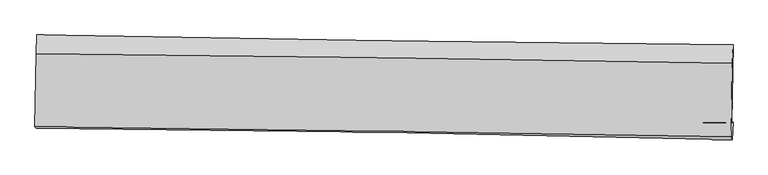
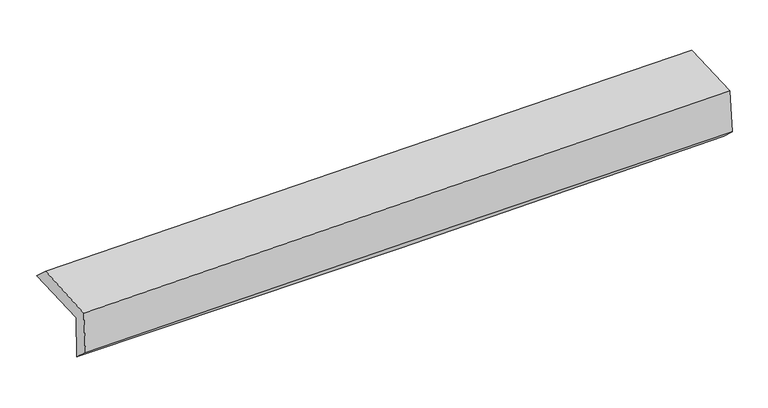
"""IFC4 building model written with IfcOpenShell, lengths in millimetres: proxy geometry."""

from ifc_helpers import new_model, si_unit, frame, origin, place, context, project, spatial, source, transform, mapped, element, save
from ifc_brep_helpers import plane_surface, spline_curve, spline_surface, advanced_brep


def generic_models_cacb3a09(model_context):
    return source(origin(), model_context, "Body", "AdvancedBrep", [
        advanced_brep(
        [(-3025.3269287, -1756.6690727, 1957.3070915), (-3014.6490768, -1092.8050367, 1967.1336995), (3013.2852897, -1178.2720333, 2102.4277445), (3002.1616931, -1851.9381184, 2103.4534088), (-3014.6531425, -1743.3824338, 1558.2000805), (3012.7720398, -1846.8300755, 1701.6253659), (-3020.7965092, -1899.2942536, 1694.6786058), (3006.6017404, -1999.1590624, 1841.3849393), (-3030.8194059, -1887.9690242, 2084.4146853), (2996.4899307, -1975.7253458, 2242.129109), (-3021.1365762, -1254.5611774, 2113.0742083), (3006.6512185, -1339.7540139, 2254.1358879)],
        [
            (0, 1),
            (1, 2, spline_curve(3, [(-3014.6490768, -1092.8050367, 1967.1336995), (-2009.799248293, -1110.815509699, 1979.546962924), (-1005.041785279, -1126.943045069, 1997.028250808), (1004.269666695, -1155.431973379, 2042.126455104), (2008.82365916, -1167.793437171, 2069.743181994), (3013.2852897, -1178.2720333, 2102.4277445)], [4, 2, 4], [0.0, 9.8920549383217, 19.783925327009502])),
            (2, 3),
            (3, 0, spline_curve(3, [(3002.1616931, -1851.9381184, 2103.4534088), (1997.923220518, -1836.540719817, 2065.342990521), (993.517952522, -1820.903009714, 2034.108971035), (-1015.644914919, -1789.146669855, 1985.393275333), (-2020.402521353, -1773.028031516, 1967.911855807), (-3025.3269287, -1756.6690727, 1957.3070915)], [4, 2, 4], [0.0, 9.891870388687803, 19.783925327009502])),
            (4, 0),
            (3, 5),
            (5, 4, spline_curve(3, [(3012.7720398, -1846.8300755, 1701.6253659), (2008.427835124, -1832.405473907, 1666.939463326), (1003.974987306, -1816.572629962, 1637.644466264), (-1005.166735906, -1782.090134976, 1589.835836565), (-2009.855615624, -1763.440431838, 1571.322405335), (-3014.6531425, -1743.3824338, 1558.2000805)], [4, 2, 4], [0.0, 9.891850181326788, 19.78388491191047])),
            (6, 4),
            (5, 7),
            (7, 6, spline_curve(3, [(3006.6017404, -1999.1590624, 1841.3849393), (2002.29586656, -1972.184717648, 1813.127186769), (997.864428468, -1950.375507559, 1786.772878917), (-1011.268316384, -1917.087045118, 1737.870696711), (-2015.969628556, -1905.607985998, 1715.322893229), (-3020.7965092, -1899.2942536, 1694.6786058)], [4, 2, 4], [0.0, 9.891760457177787, 19.78370546193851])),
            (8, 6),
            (7, 9),
            (9, 8, spline_curve(3, [(2996.4899307, -1975.7253458, 2242.129109), (1991.997449954, -1958.319141419, 2214.978369008), (987.480117083, -1942.303067834, 2188.260249169), (-1021.622994323, -1913.050908894, 2135.68875843), (-2026.208773654, -1899.814875121, 2109.835403747), (-3030.8194059, -1887.9690242, 2084.4146853)], [4, 2, 4], [0.0, 9.89171844633548, 19.783621439470114])),
            (10, 8),
            (9, 11),
            (11, 10, spline_curve(3, [(3006.6512185, -1339.7540139, 2254.1358879), (2002.146004108, -1320.407770294, 2228.69114957), (997.582433732, -1303.635287527, 2204.213740857), (-1011.68016226, -1275.237579572, 2157.193145122), (-2016.379190114, -1263.612450091, 2134.64999367), (-3021.1365762, -1254.5611774, 2113.0742083)], [4, 2, 4], [0.0, 9.891697656780481, 19.783579859972253])),
            (1, 10),
            (11, 2),
        ],
        [
            spline_surface(3, 3, [[(-3025.3269287, -1756.6690727, 1957.3070915), (-2020.402521223, -1773.028031545, 1967.91185568), (-1015.644915044, -1789.146669975, 1985.393275337), (993.517952646, -1820.903009593, 2034.108971031), (1997.923220439, -1836.540719694, 2065.342990455), (3002.1616931, -1851.9381184, 2103.4534088)], [(-3021.767644741, -1535.381060696, 1960.582627497), (-2016.868096954, -1552.29052428, 1971.790224774), (-1012.110538474, -1568.412128289, 1989.271600533), (997.101857336, -1599.07933091, 2036.781465695), (2001.556700024, -1613.624958863, 2066.809720978), (3005.869558644, -1627.382756694, 2103.111520684)], [(-3018.208360759, -1314.093048704, 1963.858163503), (-2013.333672664, -1331.553017026, 1975.668593876), (-1008.576161887, -1347.677586597, 1993.149925711), (1000.685762044, -1377.25565222, 2039.45396034), (2005.190179577, -1390.709198051, 2068.276451549), (3009.577424156, -1402.827395006, 2102.769632616)], [(-3014.6490768, -1092.8050367, 1967.1336995), (-2009.799248395, -1110.81550976, 1979.54696297), (-1005.041785317, -1126.943044911, 1997.028250908), (1004.269666734, -1155.431973537, 2042.126455004), (2008.823659161, -1167.79343722, 2069.743182073), (3013.2852897, -1178.2720333, 2102.4277445)]], [4, 4], [4, 2, 4], [0.0, 2.1784641610664357], [0.0, 9.8920549383217, 19.783925327009502]),
            spline_surface(3, 3, [[(-3014.6531425, -1743.3824338, 1558.2000805), (-2009.855615662, -1763.440431994, 1571.322405288), (-1005.166735987, -1782.090135126, 1589.835836592), (1003.974987387, -1816.572629812, 1637.644466236), (2008.427835155, -1832.405473914, 1666.939463354), (3012.7720398, -1846.8300755, 1701.6253659)], [(-3018.211071211, -1747.811313443, 1691.235750849), (-2013.371250827, -1766.636298521, 1703.518888768), (-1008.659462336, -1784.442313387, 1721.688316181), (1000.489309144, -1818.016089717, 1769.799301175), (2004.926296924, -1833.783889203, 1799.740639057), (3009.235257574, -1848.532756495, 1835.56804687)], [(-3021.768999989, -1752.240193057, 1824.271421151), (-2016.886886059, -1769.832165018, 1835.7153722), (-1012.152188695, -1786.794491715, 1853.540795748), (997.00363089, -1819.459549688, 1901.954136092), (2001.424758671, -1835.162304405, 1932.541814751), (3005.698475326, -1850.235437405, 1969.51072783)], [(-3025.3269287, -1756.6690727, 1957.3070915), (-2020.402521223, -1773.028031545, 1967.91185568), (-1015.644915044, -1789.146669975, 1985.393275337), (993.517952646, -1820.903009593, 2034.108971031), (1997.923220439, -1836.540719694, 2065.342990455), (3002.1616931, -1851.9381184, 2103.4534088)]], [4, 4], [4, 2, 4], [0.0, 1.2998365936515504], [0.0, 9.892034730583681, 19.78388491191047]),
            spline_surface(3, 3, [[(-3020.7965092, -1899.2942536, 1694.6786058), (-2015.969628573, -1905.607985834, 1715.322893329), (-1011.268316544, -1917.087045168, 1737.870696712), (997.864428628, -1950.375507509, 1786.772878915), (2002.295866484, -1972.184717754, 1813.127186676), (3006.6017404, -1999.1590624, 1841.3849393)], [(-3018.748720301, -1847.323647001, 1649.185764027), (-2013.931624271, -1858.218801221, 1667.322730642), (-1009.234456349, -1872.088075172, 1688.525743338), (999.901281557, -1905.774548295, 1737.063408021), (2004.339856044, -1925.591636463, 1764.397945572), (3008.65850687, -1948.382733423, 1794.798414837)], [(-3016.700931399, -1795.353040399, 1603.692922273), (-2011.893619964, -1810.829616607, 1619.322567975), (-1007.200596182, -1827.089105122, 1639.180789967), (1001.938134458, -1861.173589026, 1687.35393713), (2006.383845595, -1878.998555205, 1715.668704457), (3010.71527333, -1897.606404477, 1748.211890363)], [(-3014.6531425, -1743.3824338, 1558.2000805), (-2009.855615662, -1763.440431994, 1571.322405288), (-1005.166735987, -1782.090135126, 1589.835836592), (1003.974987387, -1816.572629812, 1637.644466236), (2008.427835155, -1832.405473914, 1666.939463354), (3012.7720398, -1846.8300755, 1701.6253659)]], [4, 4], [4, 2, 4], [0.0, 0.657619115381514], [0.0, 9.891945004760723, 19.78370546193851]),
            spline_surface(3, 3, [[(-3030.8194059, -1887.9690242, 2084.4146853), (-2026.208773585, -1899.814875277, 2109.835403864), (-1021.622994269, -1913.050908826, 2135.688758437), (987.48011703, -1942.303067902, 2188.260249163), (1991.997449862, -1958.319141544, 2214.978369123), (2996.4899307, -1975.7253458, 2242.129109)], [(-3027.478440324, -1891.744100643, 1954.502658805), (-2022.795725239, -1901.745912106, 1978.331233691), (-1018.171435025, -1914.396287591, 2003.082737862), (990.941554231, -1944.993881088, 2054.431125747), (1995.430255376, -1962.941000263, 2081.027974974), (2999.860533907, -1983.536584649, 2108.5477191)], [(-3024.137474776, -1895.519177157, 1824.590632295), (-2019.382676919, -1903.676949005, 1846.827063503), (-1014.719875788, -1915.741666404, 1870.476717287), (994.402991426, -1947.684694323, 1920.602002331), (1998.86306097, -1967.562859035, 1947.077580825), (3003.231137193, -1991.347823551, 1974.9663292)], [(-3020.7965092, -1899.2942536, 1694.6786058), (-2015.969628573, -1905.607985834, 1715.322893329), (-1011.268316544, -1917.087045168, 1737.870696712), (997.864428628, -1950.375507509, 1786.772878915), (2002.295866484, -1972.184717754, 1813.127186676), (3006.6017404, -1999.1590624, 1841.3849393)]], [4, 4], [4, 2, 4], [0.0, 1.3117881336747141], [0.0, 9.891902993134634, 19.783621439470114]),
            spline_surface(3, 3, [[(-3021.1365762, -1254.5611774, 2113.0742083), (-2016.379190077, -1263.612449938, 2134.649993715), (-1011.680162293, -1275.237579439, 2157.193145008), (997.582433766, -1303.63528766, 2204.213740971), (2002.146004209, -1320.40777029, 2228.691149541), (3006.6512185, -1339.7540139, 2254.1358879)], [(-3024.364186113, -1465.697126359, 2103.521033969), (-2019.655717926, -1475.679925077, 2126.378463766), (-1014.99443963, -1487.842022569, 2150.02501613), (994.214994842, -1516.524547742, 2198.895910347), (1998.76315277, -1533.044894053, 2224.120222752), (3003.264122577, -1551.744457878, 2250.133628283)], [(-3027.591795987, -1676.833075241, 2093.967859631), (-2022.932245736, -1687.747400138, 2118.106933812), (-1018.308716932, -1700.446465696, 2142.856887315), (990.847555953, -1729.41380782, 2193.578079787), (1995.380301301, -1745.682017781, 2219.549295912), (2999.877026623, -1763.734901822, 2246.131368617)], [(-3030.8194059, -1887.9690242, 2084.4146853), (-2026.208773585, -1899.814875277, 2109.835403864), (-1021.622994269, -1913.050908826, 2135.688758437), (987.48011703, -1942.303067902, 2188.260249163), (1991.997449862, -1958.319141544, 2214.978369123), (2996.4899307, -1975.7253458, 2242.129109)]], [4, 4], [4, 2, 4], [0.0, 2.095124481510902], [0.0, 9.891882203191772, 19.783579859972253]),
            spline_surface(3, 3, [[(-3014.6490768, -1092.8050367, 1967.1336995), (-2009.799248395, -1110.81550976, 1979.54696297), (-1005.041785317, -1126.943044911, 1997.028250908), (1004.269666734, -1155.431973537, 2042.126455004), (2008.823659161, -1167.79343722, 2069.743182073), (3013.2852897, -1178.2720333, 2102.4277445)], [(-3016.81157661, -1146.723750259, 2015.780535754), (-2011.992562299, -1161.747823145, 2031.247973205), (-1007.25457764, -1176.374556437, 2050.41654895), (1002.040589081, -1204.833078262, 2096.155550336), (2006.597774172, -1218.664881571, 2122.725837888), (3011.073932628, -1232.099360161, 2152.997125625)], [(-3018.97407639, -1200.642463841, 2064.427372046), (-2014.185876173, -1212.680136553, 2082.948983479), (-1009.467369971, -1225.806067912, 2103.804846965), (999.811511419, -1254.234182936, 2150.18464564), (2004.371889198, -1269.536325939, 2175.708493726), (3008.862575572, -1285.926687039, 2203.566506775)], [(-3021.1365762, -1254.5611774, 2113.0742083), (-2016.379190077, -1263.612449938, 2134.649993715), (-1011.680162293, -1275.237579439, 2157.193145008), (997.582433766, -1303.63528766, 2204.213740971), (2002.146004209, -1320.40777029, 2228.691149541), (3006.6512185, -1339.7540139, 2254.1358879)]], [4, 4], [4, 2, 4], [0.0, 0.7186743101099369], [0.0, 9.891957258143808, 19.783729968476077]),
            plane_surface(frame((3006.3269854, -1698.6131082, 2040.8594092), z_axis=(0.9995215677934102, -0.016464268794351943, 0.026183265053675353), x_axis=(0.0251815633681102, -0.058357271374994725, -0.9979781148622464))),
            plane_surface(frame((-3021.2302732, -1605.7801664, 1895.8013951), z_axis=(-0.9995215677934038, 0.01646426879433978, -0.02618326505392404), x_axis=(-0.016080554473474524, -0.9997611800213061, -0.014798604333898527))),
        ],
        [
            (0, [[1, 2, 3, 4]]),
            (1, [[5, -4, 6, 7]]),
            (2, [[8, -7, 9, 10]]),
            (3, [[11, -10, 12, 13]]),
            (4, [[14, -13, 15, 16]]),
            (5, [[17, -16, 18, -2]]),
            (6, [[-12, -9, -6, -3, -18, -15]]),
            (7, [[-1, -5, -8, -11, -14, -17]]),
        ],
    ),
    ])


if __name__ == "__main__":
    model = new_model("IFC4")
    model_context = context("Model", 3, world=origin())
    ifc_project = project(units=[si_unit("LENGTHUNIT", "METRE", prefix="MILLI")], contexts=[model_context])
    site = spatial("IfcSite", under=ifc_project)
    building = spatial("IfcBuilding", under=site)
    placement = place(None, origin())
    generic_models_shape = generic_models_cacb3a09(model_context)
    element("IfcBuildingElementProxy", 1, Name="Generic Models", at=placement, inside=building, context=model_context, shape_type="MappedRepresentation", body=[
        mapped(generic_models_shape, transform((0.0, 0.0, 0.0), x_axis=(1.0, 0.0, 0.0), y_axis=(0.0, 1.0, 0.0), z_axis=(0.0, 0.0, 1.0))),
    ])
    save(model, "model.ifc")
